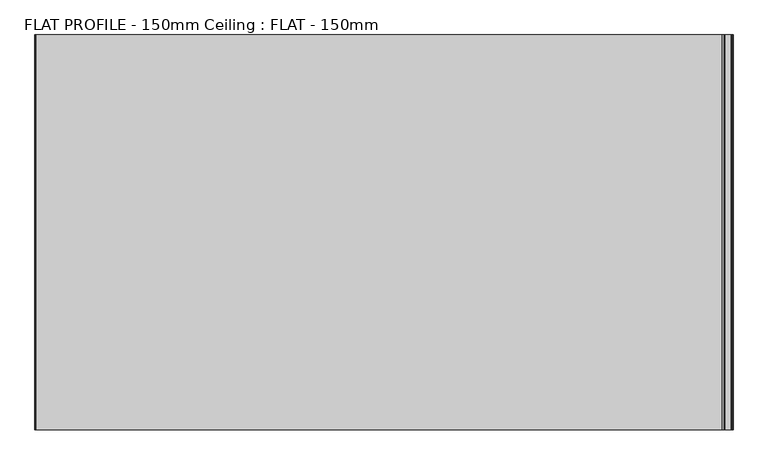
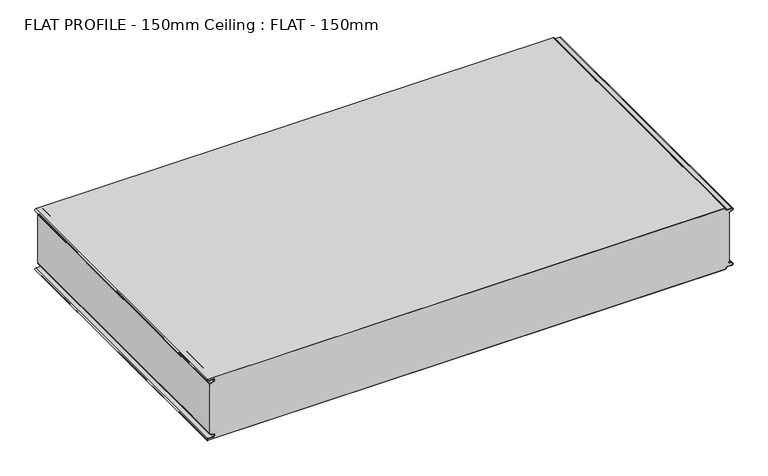
"""IFC4 building model written with IfcOpenShell, lengths in millimetres: proxy geometry, FLAT PROFILE - 150mm Ceiling : FLAT - 150mm."""

from ifc_helpers import new_model, si_unit, point, frame, frame_2d, origin, place, context, project, spatial, polyline, circle_curve, trimmed, segment, composite_curve, outline, extrude, source, transform, mapped, element, save


def flat_profile_150mm_ceiling_flat_150mm_20d6af07(model_context):
    return source(origin(), model_context, "Body", "SweptSolid", [
        extrude(outline(composite_curve([segment(polyline([(2438.8871049, -591.3794419), (2438.0861162, -589.3904999), (2436.0875592, -583.8995097)]), True, "CONTINUOUS"), segment(trimmed(circle_curve(frame_2d((2432.6623524, -585.2882153)), 3.6960175), [point((2436.0875592, -583.8995097))], [point((2428.9839912, -584.9273771))], True, "CARTESIAN"), True, "CONTINUOUS"), segment(polyline([(2428.9839912, -584.9273771), (2428.9839912, -597.3733883)]), True, "CONTINUOUS"), segment(trimmed(circle_curve(frame_2d((2427.4887038, -597.4921978)), 1.5), [point((2428.9839912, -597.3733883))], [point((2426.0, -597.3084562))], False, "CARTESIAN"), True, "CONTINUOUS"), segment(polyline([(2426.0, -597.3084562), (2426.0, 596.902372)]), True, "CONTINUOUS"), segment(trimmed(circle_curve(frame_2d((2427.5073559, 596.9047345)), 1.5073578), [point((2426.0, 596.902372))], [point((2427.5460681, 598.4115951))], False, "CARTESIAN"), True, "CONTINUOUS"), segment(trimmed(circle_curve(frame_2d((2427.5, 601.9112919)), 3.5), [point((2427.5460681, 598.4115951))], [point((2431.0, 601.9112919))], True, "CARTESIAN"), True, "CONTINUOUS"), segment(polyline([(2431.0, 601.9112919), (2431.0, 612.3116271)]), True, "CONTINUOUS"), segment(trimmed(circle_curve(frame_2d((2433.1, 612.3116271)), 2.1), [point((2431.0, 612.3116271))], [point((2435.068303, 613.0435993))], False, "CARTESIAN"), True, "CONTINUOUS"), segment(polyline([(2435.068303, 613.0435993), (2435.8937017, 610.7828028), (2437.0845863, 607.8546835)]), True, "CONTINUOUS"), segment(trimmed(circle_curve(frame_2d((2439.7531065, 608.9399875)), 2.8807786), [point((2437.0845863, 607.8546835))], [point((2439.5249279, 606.0682599))], True, "CARTESIAN"), True, "CONTINUOUS"), segment(polyline([(2439.5249279, 606.0682599), (2440.7477786, 606.0107004), (2440.7477786, 607.0118076), (2559.2522214, 607.0118076), (2559.2522214, 606.0107004), (2560.4750721, 606.0682599)]), True, "CONTINUOUS"), segment(trimmed(circle_curve(frame_2d((2560.2468935, 608.9399875)), 2.8807786), [point((2560.4750721, 606.0682599))], [point((2562.9154137, 607.8546835))], True, "CARTESIAN"), True, "CONTINUOUS"), segment(polyline([(2562.9154137, 607.8546835), (2564.1062983, 610.7828028), (2564.931697, 613.0435993)]), True, "CONTINUOUS"), segment(trimmed(circle_curve(frame_2d((2566.9, 612.3116271)), 2.1), [point((2564.931697, 613.0435993))], [point((2569.0, 612.3116271))], False, "CARTESIAN"), True, "CONTINUOUS"), segment(polyline([(2569.0, 612.3116271), (2569.0, 601.9112919)]), True, "CONTINUOUS"), segment(trimmed(circle_curve(frame_2d((2572.5, 601.9112919)), 3.5), [point((2569.0, 601.9112919))], [point((2572.4539319, 598.4115951))], True, "CARTESIAN"), True, "CONTINUOUS"), segment(trimmed(circle_curve(frame_2d((2572.4926441, 596.9047345)), 1.5073578), [point((2572.4539319, 598.4115951))], [point((2574.0, 596.902372))], False, "CARTESIAN"), True, "CONTINUOUS"), segment(polyline([(2574.0, 596.902372), (2574.0, -597.3084562)]), True, "CONTINUOUS"), segment(trimmed(circle_curve(frame_2d((2572.5112962, -597.4921978)), 1.5), [point((2574.0, -597.3084562))], [point((2571.0160088, -597.3733883))], False, "CARTESIAN"), True, "CONTINUOUS"), segment(polyline([(2571.0160088, -597.3733883), (2571.0160088, -584.9273771)]), True, "CONTINUOUS"), segment(trimmed(circle_curve(frame_2d((2567.3376476, -585.2882153)), 3.6960175), [point((2571.0160088, -584.9273771))], [point((2563.9124408, -583.8995097))], True, "CARTESIAN"), True, "CONTINUOUS"), segment(polyline([(2563.9124408, -583.8995097), (2561.9138838, -589.3904999), (2561.1128951, -591.3794419)]), True, "CONTINUOUS"), segment(trimmed(circle_curve(frame_2d((2560.1831925, -591.0050311)), 1.0022625), [point((2561.1128951, -591.3794419))], [point((2560.3779338, -591.9881924))], False, "CARTESIAN"), True, "CONTINUOUS"), segment(polyline([(2560.3779338, -591.9881924), (2559.2522232, -591.9881924), (2559.2522232, -592.9881924), (2440.7477805, -592.9881924), (2440.7477805, -591.9881924), (2439.6220662, -591.9881924)]), True, "CONTINUOUS"), segment(trimmed(circle_curve(frame_2d((2439.8168075, -591.0050311)), 1.0022625), [point((2439.6220662, -591.9881924))], [point((2438.8871049, -591.3794419))], False, "CARTESIAN"), True, "CONTINUOUS")], self_intersect=False)), frame((0.0, 1812.5000019, 0.0), z_axis=(0.0, 1.0, 0.0), x_axis=(0.0, 0.0, 1.0)), (0.0, 0.0, 1.0), 687.5),
        extrude(outline(composite_curve([segment(trimmed(circle_curve(frame_2d((2439.8168075, -591.0050311)), 1.0022625), [point((2438.8871049, -591.3794419))], [point((2439.6220662, -591.9881924))], True, "CARTESIAN"), True, "CONTINUOUS"), segment(polyline([(2439.6220662, -591.9881924), (2440.7477805, -591.9881924), (2440.7477805, -592.9881924), (2439.5408967, -592.9881924)]), True, "CONTINUOUS"), segment(trimmed(circle_curve(frame_2d((2439.8168075, -591.0050311)), 2.0022625), [point((2439.5408967, -592.9881924))], [point((2437.9595011, -591.7530074))], False, "CARTESIAN"), True, "CONTINUOUS"), segment(polyline([(2437.9595011, -591.7530074), (2437.1522016, -589.7483949), (2435.1545303, -584.2598383)]), True, "CONTINUOUS"), segment(trimmed(circle_curve(frame_2d((2432.6623524, -585.2882153)), 2.6960175), [point((2435.1545303, -584.2598383))], [point((2429.9839912, -584.9801705))], True, "CARTESIAN"), True, "CONTINUOUS"), segment(polyline([(2429.9839912, -584.9801705), (2429.9839912, -597.3387672)]), True, "CONTINUOUS"), segment(trimmed(circle_curve(frame_2d((2427.4887038, -597.4921978)), 2.5), [point((2429.9839912, -597.3387672))], [point((2425.0, -597.2548091))], False, "CARTESIAN"), True, "CONTINUOUS"), segment(polyline([(2425.0, -597.2548091), (2425.0, 596.9016875)]), True, "CONTINUOUS"), segment(trimmed(circle_curve(frame_2d((2427.5073559, 596.9047345)), 2.5073578), [point((2425.0, 596.9016875))], [point((2427.5482843, 599.4117582))], False, "CARTESIAN"), True, "CONTINUOUS"), segment(trimmed(circle_curve(frame_2d((2427.5, 601.9112919)), 2.5), [point((2427.5482843, 599.4117582))], [point((2430.0, 601.9112919))], True, "CARTESIAN"), True, "CONTINUOUS"), segment(polyline([(2430.0, 601.9112919), (2430.0, 612.3116271)]), True, "CONTINUOUS"), segment(trimmed(circle_curve(frame_2d((2433.1, 612.3116271)), 3.1), [point((2430.0, 612.3116271))], [point((2436.0067312, 613.3890842))], False, "CARTESIAN"), True, "CONTINUOUS"), segment(polyline([(2436.0067312, 613.3890842), (2436.826844, 611.1427659), (2437.945075, 608.2411829)]), True, "CONTINUOUS"), segment(trimmed(circle_curve(frame_2d((2439.8407353, 609.0514567)), 2.0615701), [point((2437.945075, 608.2411829))], [point((2439.5408967, 607.0118076))], True, "CARTESIAN"), True, "CONTINUOUS"), segment(polyline([(2439.5408967, 607.0118076), (2440.7477786, 607.0118076), (2440.7477786, 606.0107004), (2439.5249279, 606.0682599)]), True, "CONTINUOUS"), segment(trimmed(circle_curve(frame_2d((2439.7531065, 608.9399875)), 2.8807786), [point((2439.5249279, 606.0682599))], [point((2437.0845863, 607.8546835))], False, "CARTESIAN"), True, "CONTINUOUS"), segment(polyline([(2437.0845863, 607.8546835), (2435.8937017, 610.7828028), (2435.068303, 613.0435993)]), True, "CONTINUOUS"), segment(trimmed(circle_curve(frame_2d((2433.1, 612.3116271)), 2.1), [point((2435.068303, 613.0435993))], [point((2431.0, 612.3116271))], True, "CARTESIAN"), True, "CONTINUOUS"), segment(polyline([(2431.0, 612.3116271), (2431.0, 601.9112919)]), True, "CONTINUOUS"), segment(trimmed(circle_curve(frame_2d((2427.5, 601.9112919)), 3.5), [point((2431.0, 601.9112919))], [point((2427.5460681, 598.4115951))], False, "CARTESIAN"), True, "CONTINUOUS"), segment(trimmed(circle_curve(frame_2d((2427.5073559, 596.9047345)), 1.5073578), [point((2427.5460681, 598.4115951))], [point((2426.0, 596.902372))], True, "CARTESIAN"), True, "CONTINUOUS"), segment(polyline([(2426.0, 596.902372), (2426.0, -597.3084562)]), True, "CONTINUOUS"), segment(trimmed(circle_curve(frame_2d((2427.4887038, -597.4921978)), 1.5), [point((2426.0, -597.3084562))], [point((2428.9839912, -597.3733883))], True, "CARTESIAN"), True, "CONTINUOUS"), segment(polyline([(2428.9839912, -597.3733883), (2428.9839912, -584.9273771)]), True, "CONTINUOUS"), segment(trimmed(circle_curve(frame_2d((2432.6623524, -585.2882153)), 3.6960175), [point((2428.9839912, -584.9273771))], [point((2436.0875592, -583.8995097))], False, "CARTESIAN"), True, "CONTINUOUS"), segment(polyline([(2436.0875592, -583.8995097), (2438.0861162, -589.3904999), (2438.8871049, -591.3794419)]), True, "CONTINUOUS")], self_intersect=False)), frame((0.0, 1812.5000019, 0.0), z_axis=(0.0, 1.0, 0.0), x_axis=(0.0, 0.0, 1.0)), (0.0, 0.0, 1.0), 687.5),
        extrude(outline(composite_curve([segment(polyline([(2561.1128951, -591.3794419), (2561.9138838, -589.3904999), (2563.9124408, -583.8995097)]), True, "CONTINUOUS"), segment(trimmed(circle_curve(frame_2d((2567.3376476, -585.2882153)), 3.6960175), [point((2563.9124408, -583.8995097))], [point((2571.0160088, -584.9273771))], False, "CARTESIAN"), True, "CONTINUOUS"), segment(polyline([(2571.0160088, -584.9273771), (2571.0160088, -597.3733883)]), True, "CONTINUOUS"), segment(trimmed(circle_curve(frame_2d((2572.5112962, -597.4921978)), 1.5), [point((2571.0160088, -597.3733883))], [point((2574.0, -597.3084562))], True, "CARTESIAN"), True, "CONTINUOUS"), segment(polyline([(2574.0, -597.3084562), (2574.0, 596.902372)]), True, "CONTINUOUS"), segment(trimmed(circle_curve(frame_2d((2572.4926441, 596.9047345)), 1.5073578), [point((2574.0, 596.902372))], [point((2572.4539319, 598.4115951))], True, "CARTESIAN"), True, "CONTINUOUS"), segment(trimmed(circle_curve(frame_2d((2572.5, 601.9112919)), 3.5), [point((2572.4539319, 598.4115951))], [point((2569.0, 601.9112919))], False, "CARTESIAN"), True, "CONTINUOUS"), segment(polyline([(2569.0, 601.9112919), (2569.0, 612.3116271)]), True, "CONTINUOUS"), segment(trimmed(circle_curve(frame_2d((2566.9, 612.3116271)), 2.1), [point((2569.0, 612.3116271))], [point((2564.931697, 613.0435993))], True, "CARTESIAN"), True, "CONTINUOUS"), segment(polyline([(2564.931697, 613.0435993), (2564.1062983, 610.7828028), (2562.9154137, 607.8546835)]), True, "CONTINUOUS"), segment(trimmed(circle_curve(frame_2d((2560.2468935, 608.9399875)), 2.8807786), [point((2562.9154137, 607.8546835))], [point((2560.4750721, 606.0682599))], False, "CARTESIAN"), True, "CONTINUOUS"), segment(polyline([(2560.4750721, 606.0682599), (2559.2522214, 606.0107004), (2559.2522214, 607.0118076), (2560.4591033, 607.0118076)]), True, "CONTINUOUS"), segment(trimmed(circle_curve(frame_2d((2560.1592647, 609.0514567)), 2.0615701), [point((2560.4591033, 607.0118076))], [point((2562.054925, 608.2411829))], True, "CARTESIAN"), True, "CONTINUOUS"), segment(polyline([(2562.054925, 608.2411829), (2563.173156, 611.1427659), (2563.9932688, 613.3890842)]), True, "CONTINUOUS"), segment(trimmed(circle_curve(frame_2d((2566.9, 612.3116271)), 3.1), [point((2563.9932688, 613.3890842))], [point((2570.0, 612.3116271))], False, "CARTESIAN"), True, "CONTINUOUS"), segment(polyline([(2570.0, 612.3116271), (2570.0, 601.9112919)]), True, "CONTINUOUS"), segment(trimmed(circle_curve(frame_2d((2572.5, 601.9112919)), 2.5), [point((2570.0, 601.9112919))], [point((2572.4517157, 599.4117582))], True, "CARTESIAN"), True, "CONTINUOUS"), segment(trimmed(circle_curve(frame_2d((2572.4926441, 596.9047345)), 2.5073578), [point((2572.4517157, 599.4117582))], [point((2575.0, 596.9016875))], False, "CARTESIAN"), True, "CONTINUOUS"), segment(polyline([(2575.0, 596.9016875), (2575.0, -597.2548091)]), True, "CONTINUOUS"), segment(trimmed(circle_curve(frame_2d((2572.5112962, -597.4921978)), 2.5), [point((2575.0, -597.2548091))], [point((2570.0160088, -597.3387672))], False, "CARTESIAN"), True, "CONTINUOUS"), segment(polyline([(2570.0160088, -597.3387672), (2570.0160088, -584.9801705)]), True, "CONTINUOUS"), segment(trimmed(circle_curve(frame_2d((2567.3376476, -585.2882153)), 2.6960175), [point((2570.0160088, -584.9801705))], [point((2564.8454697, -584.2598383))], True, "CARTESIAN"), True, "CONTINUOUS"), segment(polyline([(2564.8454697, -584.2598383), (2562.8477984, -589.7483949), (2562.0404989, -591.7530074)]), True, "CONTINUOUS"), segment(trimmed(circle_curve(frame_2d((2560.1831925, -591.0050311)), 2.0022625), [point((2562.0404989, -591.7530074))], [point((2560.4591033, -592.9881924))], False, "CARTESIAN"), True, "CONTINUOUS"), segment(polyline([(2560.4591033, -592.9881924), (2559.2522195, -592.9881924), (2559.2522195, -591.9881924), (2560.3779338, -591.9881924)]), True, "CONTINUOUS"), segment(trimmed(circle_curve(frame_2d((2560.1831925, -591.0050311)), 1.0022625), [point((2560.3779338, -591.9881924))], [point((2561.1128951, -591.3794419))], True, "CARTESIAN"), True, "CONTINUOUS")], self_intersect=False)), frame((0.0, 1812.5000019, 0.0), z_axis=(0.0, 1.0, 0.0), x_axis=(0.0, 0.0, 1.0)), (0.0, 0.0, 1.0), 687.5),
    ])


if __name__ == "__main__":
    model = new_model("IFC4")
    model_context = context("Model", 3, world=origin())
    ifc_project = project(units=[si_unit("LENGTHUNIT", "METRE", prefix="MILLI")], contexts=[model_context])
    site = spatial("IfcSite", under=ifc_project)
    building = spatial("IfcBuilding", under=site)
    placement = place(None, origin())
    flat_profile_150mm_ceiling_flat_150mm_shape = flat_profile_150mm_ceiling_flat_150mm_20d6af07(model_context)
    element("IfcBuildingElementProxy", 1, Name="FLAT PROFILE - 150mm Ceiling : FLAT - 150mm", ObjectType="FLAT PROFILE - 150mm Ceiling : FLAT - 150mm", at=placement, inside=building, context=model_context, shape_type="MappedRepresentation", body=[
        mapped(flat_profile_150mm_ceiling_flat_150mm_shape, transform((0.0, 0.0, 0.0), x_axis=(1.0, 0.0, 0.0), y_axis=(0.0, 1.0, 0.0), z_axis=(0.0, 0.0, 1.0))),
    ])
    save(model, "model.ifc")
